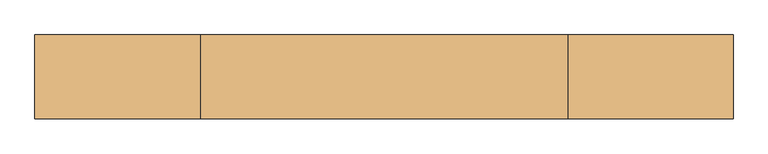
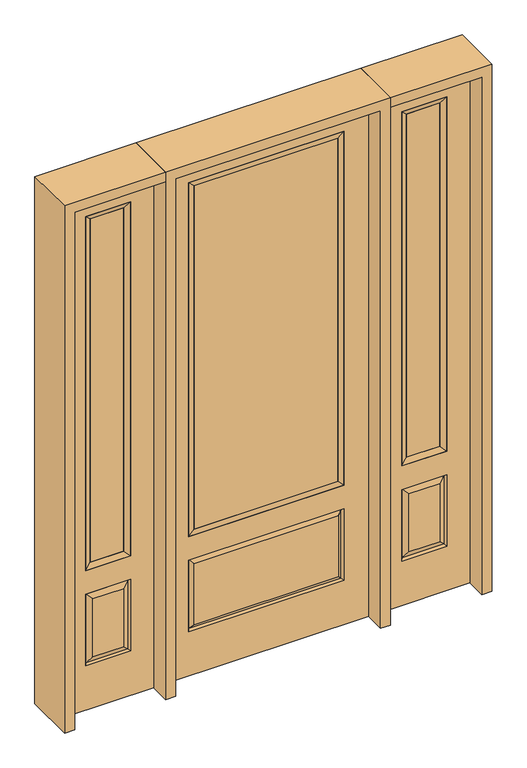
"""IFC4 building model written with IfcOpenShell, lengths in millimetres: door geometry."""

from ifc_helpers import new_model, si_unit, frame, origin, place, context, project, spatial, polyline, outline, extrude, faceted_brep, source, transform, mapped, element, save


def door_a61f3bcd(model_context):
    return source(origin(), model_context, "Body", "SolidModel", [
        faceted_brep([(501.65, -22.225, 0.0), (908.05, -22.225, 0.0), (908.05, -22.225, 2438.4), (501.65, -22.225, 2438.4), (805.18, -22.225, 2325.624), (805.18, -22.225, 657.098), (604.52, -22.225, 657.098), (604.52, -22.225, 2325.624), (805.18, -22.225, 209.55), (604.52, -22.225, 209.55), (604.52, -22.225, 546.1), (805.18, -22.225, 546.1), (636.2351001, -22.225, 241.2651001), (773.4648999, -22.225, 241.2651001), (773.4648999, -22.225, 514.3848999), (636.2351001, -22.225, 514.3848999), (501.65, 22.225, 0.0), (501.65, 22.225, 2438.4), (908.05, 22.225, 2438.4), (908.05, 22.225, 0.0), (805.18, 22.225, 2325.624), (604.52, 22.225, 2325.624), (604.52, 22.225, 657.098), (805.18, 22.225, 657.098), (604.52, 22.225, 209.55), (805.18, 22.225, 209.55), (805.18, 22.225, 546.1), (604.52, 22.225, 546.1), (773.4648999, 22.225, 241.2651001), (636.2351001, 22.225, 241.2651001), (636.2351001, 22.225, 514.3848999), (773.4648999, 22.225, 514.3848999), (798.0711499, 12.7912373, 216.6588501), (611.6288501, 12.7912373, 216.6588501), (611.6288501, 12.7912373, 538.9911499), (798.0711499, 12.7912373, 538.9911499), (611.6288501, -12.7912373, 216.6588501), (798.0711499, -12.7912373, 216.6588501), (611.6288501, -12.7912373, 538.9911499), (798.0711499, -12.7912373, 538.9911499)], [[[0, 1, 2, 3], [4, 5, 6, 7], [8, 9, 10, 11]], [[12, 13, 14, 15]], [[16, 17, 18, 19], [20, 21, 22, 23], [24, 25, 26, 27]], [[28, 29, 30, 31]], [[1, 0, 16, 19]], [[2, 1, 19, 18]], [[3, 2, 18, 17]], [[0, 3, 17, 16]], [[5, 4, 20, 23]], [[6, 5, 23, 22]], [[7, 6, 22, 21]], [[4, 7, 21, 20]], [[32, 33, 29, 28]], [[33, 32, 25, 24]], [[29, 33, 34, 30]], [[33, 24, 27, 34]], [[30, 34, 35, 31]], [[34, 27, 26, 35]], [[32, 28, 31, 35]], [[25, 32, 35, 26]], [[12, 36, 37, 13]], [[37, 36, 9, 8]], [[36, 12, 15, 38]], [[9, 36, 38, 10]], [[38, 15, 14, 39]], [[10, 38, 39, 11]], [[13, 37, 39, 14]], [[37, 8, 11, 39]]]),
        faceted_brep([(604.52, 22.225, 2325.624), (604.52, -22.225, 2325.624), (805.18, -22.225, 2325.624), (805.18, 22.225, 2325.624), (629.92, 12.7, 2300.224), (779.78, 12.7, 2300.224), (629.92, -12.7, 2300.224), (779.78, -12.7, 2300.224), (805.18, -22.225, 657.098), (805.18, 22.225, 657.098), (779.78, 12.7, 682.498), (779.78, -12.7, 682.498), (604.52, -22.225, 657.098), (604.52, 22.225, 657.098), (629.92, 12.7, 682.498), (629.92, -12.7, 682.498)], [[[0, 1, 2, 3]], [[4, 0, 3, 5]], [[6, 4, 5, 7]], [[1, 6, 7, 2]], [[3, 2, 8, 9]], [[5, 3, 9, 10]], [[7, 5, 10, 11]], [[2, 7, 11, 8]], [[9, 8, 12, 13]], [[10, 9, 13, 14]], [[11, 10, 14, 15]], [[8, 11, 15, 12]], [[13, 12, 1, 0]], [[14, 13, 0, 4]], [[15, 14, 4, 6]], [[12, 15, 6, 1]]]),
        extrude(outline(polyline([(779.78, -12.7), (629.92, -12.7), (629.92, 12.7), (779.78, 12.7), (779.78, -12.7)])), frame((0.0, 0.0, 682.498), z_axis=(0.0, 0.0, 1.0), x_axis=(1.0, 0.0, 0.0)), (0.0, 0.0, 1.0), 1617.726),
        faceted_brep([(-908.05, -22.225, 0.0), (-501.65, -22.225, 0.0), (-501.65, -22.225, 2438.4), (-908.05, -22.225, 2438.4), (-604.52, -22.225, 2325.624), (-604.52, -22.225, 657.098), (-805.18, -22.225, 657.098), (-805.18, -22.225, 2325.624), (-604.52, -22.225, 209.55), (-805.18, -22.225, 209.55), (-805.18, -22.225, 546.1), (-604.52, -22.225, 546.1), (-773.4648999, -22.225, 241.2651001), (-636.2351001, -22.225, 241.2651001), (-636.2351001, -22.225, 514.3848999), (-773.4648999, -22.225, 514.3848999), (-908.05, 22.225, 0.0), (-908.05, 22.225, 2438.4), (-501.65, 22.225, 2438.4), (-501.65, 22.225, 0.0), (-604.52, 22.225, 2325.624), (-805.18, 22.225, 2325.624), (-805.18, 22.225, 657.098), (-604.52, 22.225, 657.098), (-805.18, 22.225, 209.55), (-604.52, 22.225, 209.55), (-604.52, 22.225, 546.1), (-805.18, 22.225, 546.1), (-636.2351001, 22.225, 241.2651001), (-773.4648999, 22.225, 241.2651001), (-773.4648999, 22.225, 514.3848999), (-636.2351001, 22.225, 514.3848999), (-611.6288501, 12.7912373, 216.6588501), (-798.0711499, 12.7912373, 216.6588501), (-798.0711499, 12.7912373, 538.9911499), (-611.6288501, 12.7912373, 538.9911499), (-798.0711499, -12.7912373, 216.6588501), (-611.6288501, -12.7912373, 216.6588501), (-798.0711499, -12.7912373, 538.9911499), (-611.6288501, -12.7912373, 538.9911499)], [[[0, 1, 2, 3], [4, 5, 6, 7], [8, 9, 10, 11]], [[12, 13, 14, 15]], [[16, 17, 18, 19], [20, 21, 22, 23], [24, 25, 26, 27]], [[28, 29, 30, 31]], [[1, 0, 16, 19]], [[2, 1, 19, 18]], [[3, 2, 18, 17]], [[0, 3, 17, 16]], [[5, 4, 20, 23]], [[6, 5, 23, 22]], [[7, 6, 22, 21]], [[4, 7, 21, 20]], [[32, 33, 29, 28]], [[33, 32, 25, 24]], [[29, 33, 34, 30]], [[33, 24, 27, 34]], [[30, 34, 35, 31]], [[34, 27, 26, 35]], [[32, 28, 31, 35]], [[25, 32, 35, 26]], [[12, 36, 37, 13]], [[37, 36, 9, 8]], [[36, 12, 15, 38]], [[9, 36, 38, 10]], [[38, 15, 14, 39]], [[10, 38, 39, 11]], [[13, 37, 39, 14]], [[37, 8, 11, 39]]]),
        faceted_brep([(-805.18, 22.225, 2325.624), (-805.18, -22.225, 2325.624), (-604.52, -22.225, 2325.624), (-604.52, 22.225, 2325.624), (-779.78, 12.7, 2300.224), (-629.92, 12.7, 2300.224), (-779.78, -12.7, 2300.224), (-629.92, -12.7, 2300.224), (-604.52, -22.225, 657.098), (-604.52, 22.225, 657.098), (-629.92, 12.7, 682.498), (-629.92, -12.7, 682.498), (-805.18, -22.225, 657.098), (-805.18, 22.225, 657.098), (-779.78, 12.7, 682.498), (-779.78, -12.7, 682.498)], [[[0, 1, 2, 3]], [[4, 0, 3, 5]], [[6, 4, 5, 7]], [[1, 6, 7, 2]], [[3, 2, 8, 9]], [[5, 3, 9, 10]], [[7, 5, 10, 11]], [[2, 7, 11, 8]], [[9, 8, 12, 13]], [[10, 9, 13, 14]], [[11, 10, 14, 15]], [[8, 11, 15, 12]], [[13, 12, 1, 0]], [[14, 13, 0, 4]], [[15, 14, 4, 6]], [[12, 15, 6, 1]]]),
        extrude(outline(polyline([(-629.92, -12.7), (-779.78, -12.7), (-779.78, 12.7), (-629.92, 12.7), (-629.92, -12.7)])), frame((0.0, 0.0, 682.498), z_axis=(0.0, 0.0, 1.0), x_axis=(1.0, 0.0, 0.0)), (0.0, 0.0, 1.0), 1617.726),
        extrude(outline(polyline([(320.675, -20.32), (-320.675, -20.32), (-320.675, 5.08), (320.675, 5.08), (320.675, -20.32)])), frame((0.0, 0.0, 682.498), z_axis=(0.0, 0.0, 1.0), x_axis=(1.0, 0.0, 0.0)), (0.0, 0.0, 1.0), 1616.202),
        faceted_brep([(-338.9661499, -12.7912373, 216.6588501), (338.9661499, -12.7912373, 216.6588501), (321.46875, -22.225, 234.15625), (-321.46875, -22.225, 234.15625), (-346.075, -22.225, 209.55), (346.075, -22.225, 209.55), (-338.9661499, -12.7912373, 538.9911499), (-346.075, -22.225, 546.1), (321.46875, -22.225, 521.49375), (-321.46875, -22.225, 521.49375), (457.2, -22.225, 2438.4), (-457.2, -22.225, 2438.4), (-457.2, -22.225, 0.0), (457.2, -22.225, 0.0), (346.075, -22.225, 546.1), (346.075, -22.225, 2324.1), (346.075, -22.225, 657.098), (-346.075, -22.225, 657.098), (-346.075, -22.225, 2324.1), (338.9661499, -12.7912373, 538.9911499), (-457.2, 22.225, 2438.4), (-457.2, 22.225, 0.0), (457.2, 22.225, 0.0), (457.2, 22.225, 2438.4), (346.075, 22.225, 2324.1), (346.075, 22.225, 657.098), (-346.075, 22.225, 657.098), (-346.075, 22.225, 2324.1), (-346.075, 22.225, 209.55), (346.075, 22.225, 209.55), (346.075, 22.225, 546.1), (-346.075, 22.225, 546.1), (321.46875, 22.225, 234.15625), (-321.46875, 22.225, 234.15625), (-321.46875, 22.225, 521.49375), (321.46875, 22.225, 521.49375), (-338.9661499, 12.7912373, 216.6588501), (338.9661499, 12.7912373, 216.6588501), (338.9661499, 12.7912373, 538.9911499), (-338.9661499, 12.7912373, 538.9911499)], [[[0, 1, 2, 3]], [[1, 0, 4, 5]], [[4, 0, 6, 7]], [[3, 2, 8, 9]], [[10, 11, 12, 13], [5, 4, 7, 14], [15, 16, 17, 18]], [[1, 5, 14, 19]], [[2, 1, 19, 8]], [[0, 3, 9, 6]], [[7, 6, 19, 14]], [[6, 9, 8, 19]], [[12, 11, 20, 21]], [[13, 12, 21, 22]], [[10, 13, 22, 23]], [[16, 15, 24, 25]], [[17, 16, 25, 26]], [[18, 17, 26, 27]], [[23, 22, 21, 20], [28, 29, 30, 31], [24, 27, 26, 25]], [[32, 33, 34, 35]], [[28, 36, 37, 29]], [[29, 37, 38, 30]], [[39, 31, 30, 38]], [[36, 28, 31, 39]], [[37, 36, 33, 32]], [[33, 36, 39, 34]], [[34, 39, 38, 35]], [[37, 32, 35, 38]], [[11, 10, 23, 20]], [[15, 18, 27, 24]]]),
        faceted_brep([(-346.075, -22.225, 2324.1), (-346.075, 22.225, 2324.1), (-346.075, 22.225, 657.098), (-346.075, -22.225, 657.098), (346.075, 22.225, 657.098), (346.075, -22.225, 657.098), (-320.675, 5.08, 682.498), (320.675, 5.08, 682.498), (346.075, 22.225, 2324.1), (346.075, -22.225, 2324.1), (-320.675, -20.32, 682.498), (320.675, -20.32, 682.498), (-320.675, -20.32, 2298.7), (320.675, -20.32, 2298.7), (-320.675, 5.08, 2298.7), (320.675, 5.08, 2298.7)], [[[0, 1, 2, 3]], [[3, 2, 4, 5]], [[2, 6, 7, 4]], [[5, 4, 8, 9]], [[10, 3, 5, 11]], [[12, 0, 3, 10]], [[11, 5, 9, 13]], [[6, 10, 11, 7]], [[14, 12, 10, 6]], [[7, 11, 13, 15]], [[1, 14, 6, 2]], [[4, 7, 15, 8]], [[9, 8, 1, 0]], [[13, 9, 0, 12]], [[15, 13, 12, 14]], [[8, 15, 14, 1]]]),
        extrude(outline(polyline([(2438.4, -501.65), (2482.85, -501.65), (2482.85, -952.5), (0.0, -952.5), (0.0, -908.05), (2438.4, -908.05), (2438.4, -501.65)])), frame((0.0, -114.3, 0.0), z_axis=(0.0, 1.0, 0.0), x_axis=(0.0, 0.0, 1.0)), (0.0, 0.0, 1.0), 228.6),
        extrude(outline(polyline([(2482.85, -501.65), (0.0, -501.65), (0.0, -457.2), (2438.4, -457.2), (2438.4, 457.2), (0.0, 457.2), (0.0, 501.65), (2482.85, 501.65), (2482.85, -501.65)])), frame((0.0, -114.3, 0.0), z_axis=(0.0, 1.0, 0.0), x_axis=(0.0, 0.0, 1.0)), (0.0, 0.0, 1.0), 228.6),
        extrude(outline(polyline([(0.0, 908.05), (0.0, 952.5), (2482.85, 952.5), (2482.85, 501.65), (2438.4, 501.65), (2438.4, 908.05), (0.0, 908.05)])), frame((0.0, -114.3, 0.0), z_axis=(0.0, 1.0, 0.0), x_axis=(0.0, 0.0, 1.0)), (0.0, 0.0, 1.0), 228.6),
    ])


if __name__ == "__main__":
    model = new_model("IFC4")
    model_context = context("Model", 3, world=origin())
    ifc_project = project(units=[si_unit("LENGTHUNIT", "METRE", prefix="MILLI")], contexts=[model_context])
    site = spatial("IfcSite", under=ifc_project)
    building = spatial("IfcBuilding", under=site)
    placement = place(None, origin())
    door_shape = door_a61f3bcd(model_context)
    element("IfcDoor", 1, at=placement, inside=building, context=model_context, shape_type="MappedRepresentation", body=[
        mapped(door_shape, transform((0.0, 0.0, 0.0), x_axis=(1.0, 0.0, 0.0), y_axis=(0.0, 1.0, 0.0), z_axis=(0.0, 0.0, 1.0))),
    ])
    save(model, "model.ifc")
